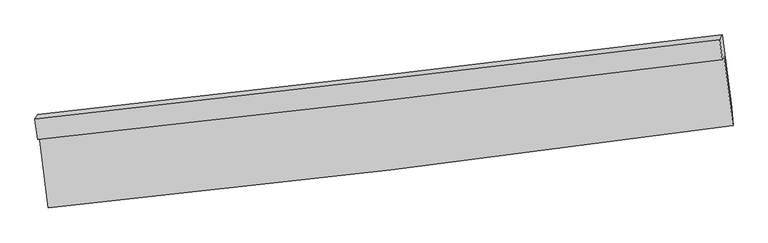
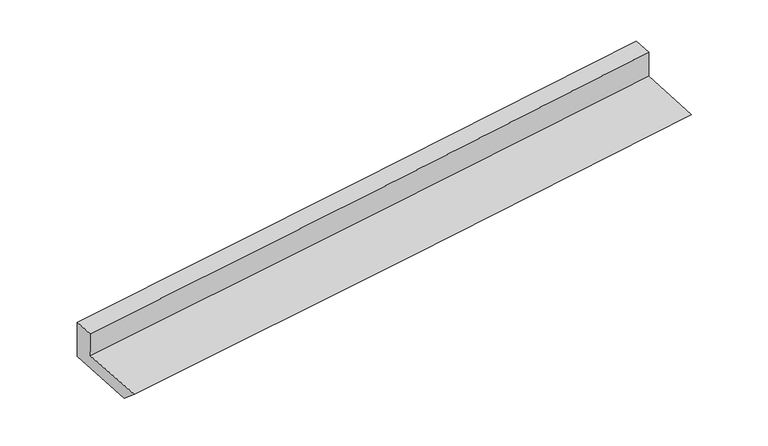
"""IFC4 building model written with IfcOpenShell, lengths in millimetres: proxy geometry."""

from ifc_helpers import new_model, si_unit, frame, origin, place, context, project, spatial, source, transform, mapped, element, save
from ifc_brep_helpers import plane_surface, spline_curve, spline_surface, advanced_brep


def generic_models_c00f2f31(model_context):
    return source(origin(), model_context, "Body", "AdvancedBrep", [
        advanced_brep(
        [(-2990.3153294, -1870.5653802, 1716.8058044), (-2912.5272264, -2490.003986, 1661.6661228), (3026.6922966, -1775.4241984, 2082.0249458), (2949.4624233, -1174.0779243, 2149.1298764), (-3005.6430002, -1896.4574378, 1967.8514349), (2932.6254626, -1202.519529, 2424.8955454), (-3028.3360399, -1716.4247915, 1985.0339056), (2910.3502086, -1027.4500309, 2441.5916407), (-3004.8188166, -1676.6986449, 1599.8549571), (2934.7969172, -986.1537641, 2041.1890345), (-2921.03011, -2335.2124627, 1526.3243252), (3015.9666063, -1618.1772025, 1970.6608034)],
        [
            (0, 1),
            (1, 2, spline_curve(3, [(-2912.5272264, -2490.003986, 1661.6661228), (-1921.261614472, -2390.049594111, 1743.894049942), (-930.694046277, -2280.524109929, 1820.037903619), (1049.045795638, -2042.33086297, 1960.157521161), (2038.218068716, -1913.663084231, 2024.133274994), (3026.6922966, -1775.4241984, 2082.0249458)], [4, 2, 4], [0.0, 9.836934079663504, 19.67387604741322])),
            (2, 3),
            (3, 0, spline_curve(3, [(2949.4624233, -1174.0779243, 2149.1298764), (1960.193550193, -1297.188972852, 2079.013879454), (970.577435563, -1416.785140182, 2007.928860242), (-1009.348482528, -1648.947620134, 1863.820834537), (-1999.658285629, -1761.513937917, 1790.797829965), (-2990.3153294, -1870.5653802, 1716.8058044)], [4, 2, 4], [0.0, 9.836941967749716, 19.67387604741322])),
            (4, 0),
            (3, 5),
            (5, 4, spline_curve(3, [(2932.6254626, -1202.519529, 2424.8955454), (1943.722201635, -1325.012971834, 2348.79133487), (954.414667383, -1444.087874495, 2272.652205024), (-1025.008153949, -1675.400504962, 2120.304168058), (-2015.12344081, -1787.638239109, 2044.095260952), (-3005.6430002, -1896.4574378, 1967.8514349)], [4, 2, 4], [0.0, 9.836176772765368, 19.67234565805812])),
            (6, 4),
            (5, 7),
            (7, 6, spline_curve(3, [(2910.3502086, -1027.4500309, 2441.5916407), (1921.16788417, -1147.470274185, 2365.725469907), (931.686002815, -1264.894981095, 2289.745891368), (-1047.876080325, -1494.553230226, 2137.55997925), (-2037.95628167, -1606.786776901, 2061.353646415), (-3028.3360399, -1716.4247915, 1985.0339056)], [4, 2, 4], [0.0, 9.836052945414972, 19.67209800345662])),
            (8, 6),
            (7, 9),
            (9, 8, spline_curve(3, [(2934.7969172, -986.1537641, 2041.1890345), (1945.564807855, -1106.2581059, 1966.138272551), (955.980576825, -1223.855705573, 1891.835037455), (-1023.891335011, -1454.037328738, 1744.723679528), (-2014.179015329, -1566.621355908, 1671.915555588), (-3004.8188166, -1676.6986449, 1599.8549571)], [4, 2, 4], [0.0, 9.835839424884266, 19.67167096256643])),
            (10, 8),
            (9, 11),
            (11, 10, spline_curve(3, [(3015.9666063, -1618.1772025, 1970.6608034), (2026.891545051, -1740.469596577, 1895.358544978), (1037.604089581, -1861.368755528, 1820.679361289), (-941.394816317, -2100.380506442, 1672.567203095), (-1931.106266347, -2218.493101006, 1599.134227283), (-2921.03011, -2335.2124627, 1526.3243252)], [4, 2, 4], [0.0, 9.836382294678968, 19.672756701720512])),
            (1, 10),
            (11, 2),
        ],
        [
            spline_surface(3, 3, [[(-2990.3153294, -1870.5653802, 1716.8058044), (-1999.658285539, -1761.513937805, 1790.797829904), (-1009.34848253, -1648.947619981, 1863.820834619), (970.577435566, -1416.785140336, 2007.92886016), (1960.193550178, -1297.188972824, 2079.013879471), (2949.4624233, -1174.0779243, 2149.1298764)], [(-2964.385961749, -2077.044915466, 1698.425910526), (-1973.526061849, -1971.025823192, 1775.163236538), (-983.130337145, -1859.473116669, 1849.226524296), (996.733555628, -1625.300381181, 1992.005080467), (1986.201723034, -1502.680343288, 2060.720344628), (2975.205714417, -1374.526682325, 2126.76156621)], [(-2938.456594051, -2283.524450734, 1680.046016674), (-1947.39383811, -2180.537708582, 1759.528643194), (-956.912191768, -2069.998613348, 1834.632213998), (1022.889675681, -1833.815622017, 1976.081300798), (2012.209895838, -1708.171713778, 2042.426809756), (3000.949005483, -1574.975440375, 2104.39325599)], [(-2912.5272264, -2490.003986, 1661.6661228), (-1921.26161442, -2390.049593969, 1743.894049827), (-930.694046382, -2280.524110036, 1820.037903676), (1049.045795743, -2042.330862862, 1960.157521104), (2038.218068694, -1913.663084242, 2024.133274913), (3026.6922966, -1775.4241984, 2082.0249458)]], [4, 4], [4, 2, 4], [0.0, 2.0836730167797493], [0.0, 9.836934079663504, 19.67387604741322]),
            spline_surface(3, 3, [[(-3005.6430002, -1896.4574378, 1967.8514349), (-2015.123440747, -1787.638239053, 2044.095261092), (-1025.008154073, -1675.40050511, 2120.304168096), (954.414667507, -1444.087874347, 2272.652204986), (1943.72220177, -1325.012971982, 2348.791334814), (2932.6254626, -1202.519529, 2424.8955454)], [(-3000.533776571, -1887.826751939, 1884.169558079), (-2009.968388982, -1778.930138643, 1959.662784042), (-1019.788263547, -1666.582876713, 2034.809723594), (959.802256871, -1434.986962989, 2184.411090035), (1949.212651243, -1315.738305598, 2258.865516365), (2938.237782837, -1193.038994103, 2332.973655732)], [(-2995.424553029, -1879.196066061, 1800.487681221), (-2004.813337304, -1770.222038216, 1875.230306955), (-1014.568373056, -1657.765248378, 1949.315279121), (965.189846202, -1425.886051693, 2096.169975112), (1954.703100705, -1306.463639208, 2168.93969792), (2943.850103063, -1183.558459197, 2241.051766068)], [(-2990.3153294, -1870.5653802, 1716.8058044), (-1999.658285539, -1761.513937805, 1790.797829904), (-1009.34848253, -1648.947619981, 1863.820834619), (970.577435566, -1416.785140336, 2007.92886016), (1960.193550178, -1297.188972824, 2079.013879471), (2949.4624233, -1174.0779243, 2149.1298764)]], [4, 4], [4, 2, 4], [0.0, 0.8611169523194733], [0.0, 9.836168885292752, 19.67234565805812]),
            spline_surface(3, 3, [[(-3028.3360399, -1716.4247915, 1985.0339056), (-2037.956281826, -1606.78677694, 2061.353646265), (-1047.876080416, -1494.553230346, 2137.559979378), (931.686002906, -1264.894980975, 2289.745891239), (1921.167884312, -1147.470274036, 2365.725469867), (2910.3502086, -1027.4500309, 2441.5916407)], [(-3020.771693346, -1776.435673583, 1979.306415353), (-2030.345334813, -1667.070597627, 2055.600851193), (-1040.253438314, -1554.835655274, 2131.808042308), (939.262224428, -1324.625945439, 2284.047995846), (1928.685990108, -1206.651173355, 2360.08075819), (2917.775293243, -1085.80653027, 2436.026275608)], [(-3013.207346754, -1836.446555717, 1973.578925147), (-2022.73438776, -1727.354418366, 2049.848056163), (-1032.630796175, -1615.118080182, 2126.056105166), (946.838445985, -1384.356909882, 2278.35010038), (1936.204095975, -1265.832072663, 2354.43604649), (2925.200377957, -1144.16302963, 2430.460910492)], [(-3005.6430002, -1896.4574378, 1967.8514349), (-2015.123440747, -1787.638239053, 2044.095261092), (-1025.008154073, -1675.40050511, 2120.304168096), (954.414667507, -1444.087874347, 2272.652204986), (1943.72220177, -1325.012971982, 2348.791334814), (2932.6254626, -1202.519529, 2424.8955454)]], [4, 4], [4, 2, 4], [0.0, 0.5979951938702011], [0.0, 9.83604505804165, 19.67209800345662]),
            spline_surface(3, 3, [[(-3004.8188166, -1676.6986449, 1599.8549571), (-2014.179015243, -1566.621355794, 1671.915555553), (-1023.891335007, -1454.037328616, 1744.723679534), (955.980576822, -1223.855705695, 1891.83503745), (1945.564807858, -1106.258105956, 1966.138272639), (2934.7969172, -986.1537641, 2041.1890345)], [(-3012.657891041, -1689.940693761, 1728.247939941), (-2022.104770778, -1580.009829504, 1801.728252465), (-1031.886250123, -1467.542629196, 1875.669112806), (947.882385538, -1237.535464124, 2024.471988704), (1937.432500012, -1119.995495319, 2099.334005054), (2926.648014336, -999.91918637, 2174.656569906)], [(-3020.496965459, -1703.182742639, 1856.640922759), (-2030.03052629, -1593.39830323, 1931.540949353), (-1039.881165301, -1481.047929766, 2006.614546106), (939.78419419, -1251.215222545, 2157.108939985), (1929.300192158, -1133.732884673, 2232.529737452), (2918.499111464, -1013.68460863, 2308.124105294)], [(-3028.3360399, -1716.4247915, 1985.0339056), (-2037.956281826, -1606.78677694, 2061.353646265), (-1047.876080416, -1494.553230346, 2137.559979378), (931.686002906, -1264.894980975, 2289.745891239), (1921.167884312, -1147.470274036, 2365.725469867), (2910.3502086, -1027.4500309, 2441.5916407)]], [4, 4], [4, 2, 4], [0.0, 1.3064409994938668], [0.0, 9.835831537682164, 19.67167096256643]),
            spline_surface(3, 3, [[(-2921.03011, -2335.2124627, 1526.3243252), (-1931.106266191, -2218.493101157, 1599.134227242), (-941.394816259, -2100.380506573, 1672.567202993), (1037.604089523, -1861.368755397, 1820.679361392), (2026.891545009, -1740.469596602, 1895.358545044), (3015.9666063, -1618.1772025, 1970.6608034)], [(-2948.959678854, -2115.707856774, 1550.834535829), (-1958.797182528, -2001.202519377, 1623.394670008), (-968.893655863, -1884.932780592, 1696.619361821), (1010.396251934, -1648.864405501, 1844.397920059), (1999.782632629, -1529.065766396, 1918.951787555), (2988.91004327, -1407.502723043, 1994.170213746)], [(-2976.889247746, -1896.203250826, 1575.344746471), (-1986.488098905, -1783.911937574, 1647.655112786), (-996.392495403, -1669.485054597, 1720.671520705), (983.18841441, -1436.360055591, 1868.116478782), (1972.673720238, -1317.661936162, 1942.545030128), (2961.85348023, -1196.828243557, 2017.679624154)], [(-3004.8188166, -1676.6986449, 1599.8549571), (-2014.179015243, -1566.621355794, 1671.915555553), (-1023.891335007, -1454.037328616, 1744.723679534), (955.980576822, -1223.855705695, 1891.83503745), (1945.564807858, -1106.258105956, 1966.138272639), (2934.7969172, -986.1537641, 2041.1890345)]], [4, 4], [4, 2, 4], [0.0, 2.1361773495142122], [0.0, 9.836374407041545, 19.672756701720512]),
            spline_surface(3, 3, [[(-2912.5272264, -2490.003986, 1661.6661228), (-1921.26161442, -2390.049593969, 1743.894049827), (-930.694046382, -2280.524110036, 1820.037903676), (1049.045795743, -2042.330862862, 1960.157521104), (2038.218068694, -1913.663084242, 2024.133274913), (3026.6922966, -1775.4241984, 2082.0249458)], [(-2915.361520938, -2438.406811577, 1616.552190272), (-1924.543165015, -2332.864096375, 1695.640775637), (-934.260969677, -2220.476242218, 1770.881003469), (1045.231893668, -1982.010160377, 1913.664801221), (2034.442560795, -1855.931921685, 1981.208364956), (3023.117066496, -1723.00853309, 2044.903564999)], [(-2918.195815462, -2386.809637123, 1571.438257728), (-1927.824715596, -2275.678598751, 1647.387501432), (-937.827892964, -2160.428374391, 1721.7241032), (1041.417991598, -1921.689457883, 1867.172081275), (2030.667052908, -1798.200759158, 1938.283455001), (3019.541836404, -1670.59286781, 2007.782184201)], [(-2921.03011, -2335.2124627, 1526.3243252), (-1931.106266191, -2218.493101157, 1599.134227242), (-941.394816259, -2100.380506573, 1672.567202993), (1037.604089523, -1861.368755397, 1820.679361392), (2026.891545009, -1740.469596602, 1895.358545044), (3015.9666063, -1618.1772025, 1970.6608034)]], [4, 4], [4, 2, 4], [0.0, 0.7574891453363327], [0.0, 9.837290444262978, 19.674588776897934]),
            plane_surface(frame((2961.6489858, -1297.3004416, 2184.9153077), z_axis=(0.9902197303565784, 0.11905539950878465, 0.0727371807286293), x_axis=(-0.06062145837582845, -0.10240396616452517, 0.9928939855282449))),
            plane_surface(frame((-2977.1117537, -1997.5604505, 1742.9227584), z_axis=(-0.9903656030433596, -0.1179035584346005, -0.07262728975406947), x_axis=(-0.1241166072036662, 0.9883595974851122, 0.08797939460645335))),
        ],
        [
            (0, [[1, 2, 3, 4]]),
            (1, [[5, -4, 6, 7]]),
            (2, [[8, -7, 9, 10]]),
            (3, [[11, -10, 12, 13]]),
            (4, [[14, -13, 15, 16]]),
            (5, [[17, -16, 18, -2]]),
            (6, [[-12, -9, -6, -3, -18, -15]]),
            (7, [[-1, -5, -8, -11, -14, -17]]),
        ],
    ),
    ])


if __name__ == "__main__":
    model = new_model("IFC4")
    model_context = context("Model", 3, world=origin())
    ifc_project = project(units=[si_unit("LENGTHUNIT", "METRE", prefix="MILLI")], contexts=[model_context])
    site = spatial("IfcSite", under=ifc_project)
    building = spatial("IfcBuilding", under=site)
    placement = place(None, origin())
    generic_models_shape = generic_models_c00f2f31(model_context)
    element("IfcBuildingElementProxy", 1, Name="Generic Models", at=placement, inside=building, context=model_context, shape_type="MappedRepresentation", body=[
        mapped(generic_models_shape, transform((0.0, 0.0, 0.0), x_axis=(1.0, 0.0, 0.0), y_axis=(0.0, 1.0, 0.0), z_axis=(0.0, 0.0, 1.0))),
    ])
    save(model, "model.ifc")
